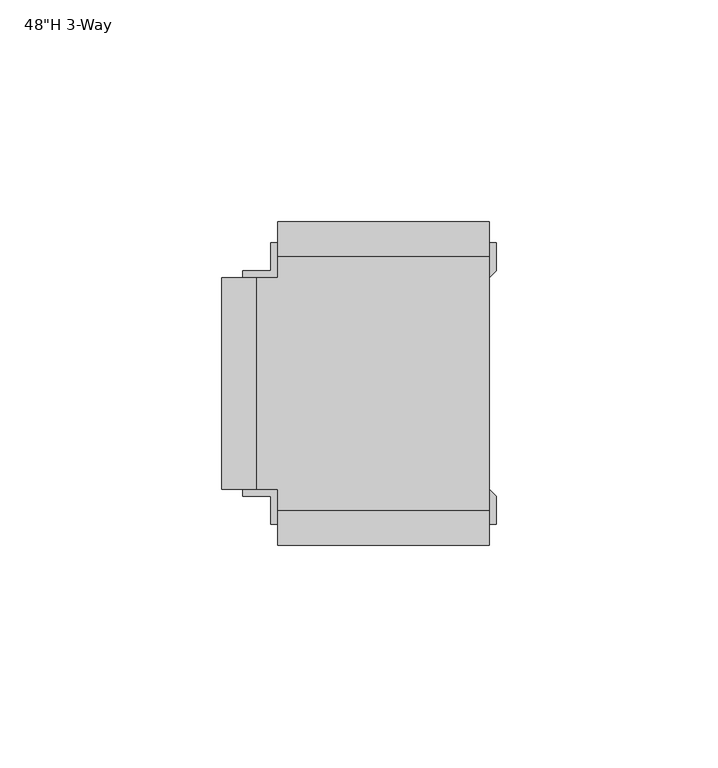
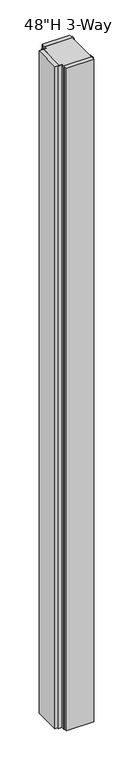
"""IFC4 building model written with IfcOpenShell, lengths in millimetres: furniture geometry."""

from ifc_helpers import new_model, si_unit, frame, origin, place, context, project, spatial, polyline, outline, extrude, source, transform, mapped, element, save


def furniture_fe5a1e89(model_context):
    return source(origin(), model_context, "Body", "SweptSolid", [
        extrude(outline(polyline([(30.1631408, -9.2979136), (-17.4618569, -9.2979136), (-17.4618569, -4.5354151), (-22.2243609, -4.5354151), (-22.2243609, 43.0895849), (-17.4618569, 43.0895849), (-17.4618569, 47.8520833), (30.1631408, 47.8520833), (30.1631408, -9.2979136)])), frame((0.0, 0.0, 9.525), z_axis=(0.0, 0.0, 1.0), x_axis=(1.0, 0.0, 0.0)), (0.0, 0.0, 1.0), 1219.2),
        extrude(outline(polyline([(30.1631408, -17.2354151), (-17.4618569, -17.2354151), (-17.4618569, -9.2979136), (30.1631408, -9.2979136), (30.1631408, -17.2354151)])), frame((0.0, 0.0, 9.525), z_axis=(0.0, 0.0, 1.0), x_axis=(1.0, 0.0, 0.0)), (0.0, 0.0, 1.0), 1219.2),
        extrude(outline(polyline([(-30.1618607, 43.0895849), (-22.2243609, 43.0895849), (-22.2243609, -4.5354151), (-30.1618607, -4.5354151), (-30.1618607, 43.0895849)])), frame((0.0, 0.0, 9.525), z_axis=(0.0, 0.0, 1.0), x_axis=(1.0, 0.0, 0.0)), (0.0, 0.0, 1.0), 1219.2),
        extrude(outline(polyline([(30.1631408, 55.7895848), (30.1631408, 47.8520833), (-17.4618569, 47.8520833), (-17.4618569, 55.7895848), (30.1631408, 55.7895848)])), frame((0.0, 0.0, 9.525), z_axis=(0.0, 0.0, 1.0), x_axis=(1.0, 0.0, 0.0)), (0.0, 0.0, 1.0), 1219.2),
        extrude(outline(polyline([(30.1631408, -4.536048), (31.750008, -6.1229151), (31.750008, -12.4475174), (30.1631408, -12.4475174), (30.1631408, -4.536048)])), frame((0.0, 0.0, 9.525), z_axis=(0.0, 0.0, 1.0), x_axis=(1.0, 0.0, 0.0)), (0.0, 0.0, 1.0), 1219.2),
        extrude(outline(polyline([(-25.3993573, -6.1229151), (-25.3993573, -4.5354151), (-17.4618569, -4.5354151), (-17.4618569, -12.4475174), (-19.049992, -12.4475174), (-19.049992, -6.1229151), (-25.3993573, -6.1229151)])), frame((0.0, 0.0, 9.525), z_axis=(0.0, 0.0, 1.0), x_axis=(1.0, 0.0, 0.0)), (0.0, 0.0, 1.0), 1219.2),
        extrude(outline(polyline([(-25.3993573, 44.6770849), (-19.049992, 44.6770849), (-19.049992, 51.0016871), (-17.4618569, 51.0016871), (-17.4618569, 43.0895849), (-25.3993573, 43.0895849), (-25.3993573, 44.6770849)])), frame((0.0, 0.0, 9.525), z_axis=(0.0, 0.0, 1.0), x_axis=(1.0, 0.0, 0.0)), (0.0, 0.0, 1.0), 1219.2),
        extrude(outline(polyline([(31.750008, 51.0016871), (31.750008, 44.6770849), (30.1631408, 43.0895849), (30.1631408, 51.0016871), (31.750008, 51.0016871)])), frame((0.0, 0.0, 9.525), z_axis=(0.0, 0.0, 1.0), x_axis=(1.0, 0.0, 0.0)), (0.0, 0.0, 1.0), 1219.2),
    ])


if __name__ == "__main__":
    model = new_model("IFC4")
    model_context = context("Model", 3, world=origin())
    ifc_project = project(units=[si_unit("LENGTHUNIT", "METRE", prefix="MILLI")], contexts=[model_context])
    site = spatial("IfcSite", under=ifc_project)
    building = spatial("IfcBuilding", under=site)
    placement = place(None, origin())
    furniture_shape = furniture_fe5a1e89(model_context)
    element("IfcFurniture", 1, ObjectType="48\"H 3-Way", at=placement, inside=building, context=model_context, shape_type="MappedRepresentation", body=[
        mapped(furniture_shape, transform((0.0, 0.0, 0.0), x_axis=(1.0, 0.0, 0.0), y_axis=(0.0, 1.0, 0.0), z_axis=(0.0, 0.0, 1.0))),
    ])
    save(model, "model.ifc")
